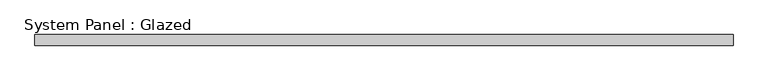
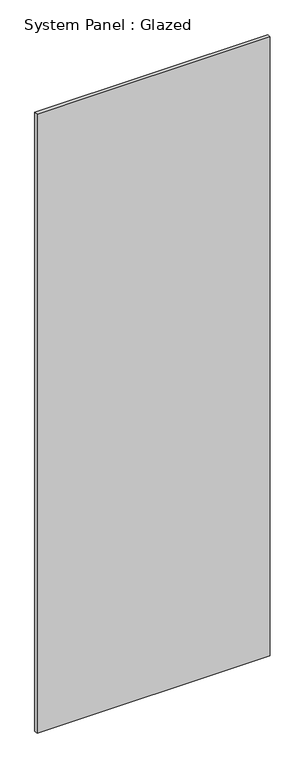
"""IFC4 building model written with IfcOpenShell, lengths in millimetres: plate geometry, System Panel : Glazed."""

from ifc_helpers import new_model, si_unit, origin, origin_with_axes, place, context, project, spatial, polyline, outline, extrude, source, transform, mapped, element, save


def system_panel_glazed_acf77c0c(model_context):
    return source(origin(), model_context, "Body", "SweptSolid", [
        extrude(outline(polyline([(802.0833333, -49.5), (-802.0833333, -49.5), (-802.0833333, -24.5), (802.0833333, -24.5), (802.0833333, -49.5)])), origin_with_axes(), (0.0, 0.0, 1.0), 4500.0),
    ])


if __name__ == "__main__":
    model = new_model("IFC4")
    model_context = context("Model", 3, world=origin())
    ifc_project = project(units=[si_unit("LENGTHUNIT", "METRE", prefix="MILLI")], contexts=[model_context])
    site = spatial("IfcSite", under=ifc_project)
    building = spatial("IfcBuilding", under=site)
    placement = place(None, origin())
    system_panel_glazed_shape = system_panel_glazed_acf77c0c(model_context)
    element("IfcPlate", 1, ObjectType="System Panel : Glazed", at=placement, inside=building, context=model_context, shape_type="MappedRepresentation", body=[
        mapped(system_panel_glazed_shape, transform((0.0, 0.0, 0.0), x_axis=(1.0, 0.0, 0.0), y_axis=(0.0, 1.0, 0.0), z_axis=(0.0, 0.0, 1.0))),
    ])
    save(model, "model.ifc")
